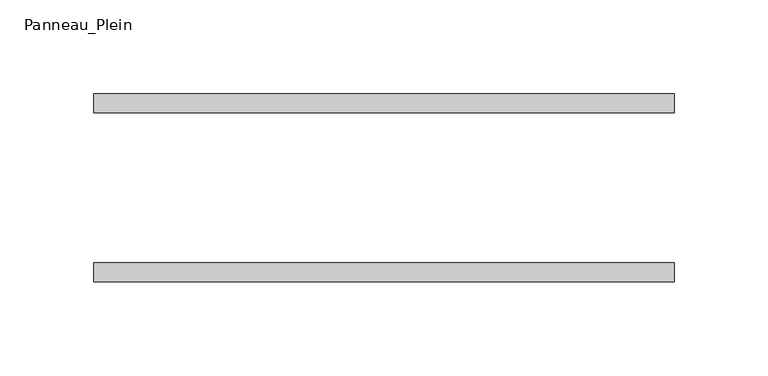
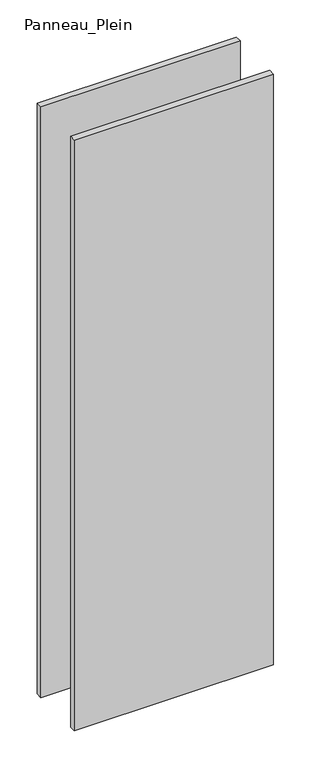
"""IFC4 building model written with IfcOpenShell, lengths in millimetres: plate geometry, Panneau_Plein."""

from ifc_helpers import new_model, si_unit, origin, origin_with_axes, place, context, project, spatial, polyline, outline, extrude, source, transform, mapped, element, save


def panneau_plein_c64ecef4(model_context):
    return source(origin(), model_context, "Body", "SweptSolid", [
        extrude(outline(polyline([(154.6056907, 50.0), (154.6056907, 40.0), (-154.6056907, 40.0), (-154.6056907, 50.0), (154.6056907, 50.0)])), origin_with_axes(), (0.0, 0.0, 1.0), 969.867499),
        extrude(outline(polyline([(154.6056907, -40.0), (154.6056907, -50.0), (-154.6056907, -50.0), (-154.6056907, -40.0), (154.6056907, -40.0)])), origin_with_axes(), (0.0, 0.0, 1.0), 969.867499),
    ])


if __name__ == "__main__":
    model = new_model("IFC4")
    model_context = context("Model", 3, world=origin())
    ifc_project = project(units=[si_unit("LENGTHUNIT", "METRE", prefix="MILLI")], contexts=[model_context])
    site = spatial("IfcSite", under=ifc_project)
    building = spatial("IfcBuilding", under=site)
    placement = place(None, origin())
    panneau_plein_shape = panneau_plein_c64ecef4(model_context)
    element("IfcPlate", 1, ObjectType="Panneau_Plein", at=placement, inside=building, context=model_context, shape_type="MappedRepresentation", body=[
        mapped(panneau_plein_shape, transform((0.0, 0.0, 0.0), x_axis=(1.0, 0.0, 0.0), y_axis=(0.0, 1.0, 0.0), z_axis=(0.0, 0.0, 1.0))),
    ])
    save(model, "model.ifc")
